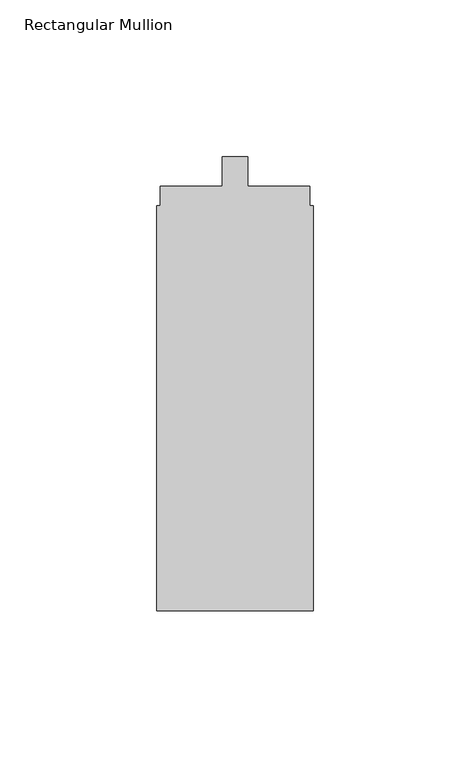
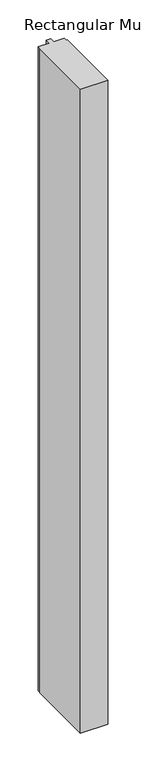
"""IFC4 building model written with IfcOpenShell, lengths in millimetres: member geometry, Rectangular Mullion."""

import ifcopenshell
import ifcopenshell.guid

model = None  # the IFC model being written
_history = None  # IfcOwnerHistory: only IFC2X3 demands one
_inside = {}  # id of a spatial element -> (the spatial element, [elements in it])
_under = {}  # id of a project, library or spatial element -> (it, [spatial elements below it])
_declared = {}  # id of a project -> (the project, [libraries it declares])
_typed = {}  # id of a type object -> (the type object, [elements of that type])
_made_of = {}  # id of a material, layer set ... -> (it, [elements and type objects made of it])


def new_model(schema):
    """Start an empty IFC model of exactly this schema.

    Asked for "IFC4X3", IfcOpenShell would pick the latest addendum, in which some entities
    have other attributes; the version numbers below select the first issue.
    IFC2X3 requires an IfcOwnerHistory on every rooted entity: one is made here for all.
    """
    global model, _history
    if schema == "IFC4X3":
        model = ifcopenshell.file(schema_version=(4, 3, 0, 0))
    else:
        model = ifcopenshell.file(schema=schema)
    _inside.clear()
    _under.clear()
    _declared.clear()
    _typed.clear()
    _made_of.clear()
    _history = None
    if model.schema == "IFC2X3":
        org = make("IfcOrganization", Name="unknown")
        user = make(
            "IfcPersonAndOrganization",
            ThePerson=make("IfcPerson", FamilyName="unknown"),
            TheOrganization=org,
        )
        app = make(
            "IfcApplication",
            ApplicationDeveloper=org,
            Version="unknown",
            ApplicationFullName="unknown",
            ApplicationIdentifier="unknown",
        )
        _history = make(
            "IfcOwnerHistory",
            OwningUser=user,
            OwningApplication=app,
            ChangeAction="ADDED",
            CreationDate=0,
        )
    return model


def make(cls, **values):
    """One entity of the class cls with the attributes given. An attribute that is None is left unset."""
    return model.create_entity(
        cls, **{name: value for name, value in values.items() if value is not None}
    )


def rooted(cls, **values):
    """An entity with a GlobalId (a new one), such as an element, a storey or a relation."""
    return make(cls, GlobalId=ifcopenshell.guid.new(), OwnerHistory=_history, **values)


def si_unit(unit_type, name, prefix=None):
    """IfcSIUnit, for example si_unit("LENGTHUNIT", "METRE", prefix="MILLI")."""
    return make("IfcSIUnit", UnitType=unit_type, Prefix=prefix, Name=name)


def assignment(units):
    """IfcUnitAssignment: the units of a project."""
    return None if units is None else make("IfcUnitAssignment", Units=units)


def point(xyz):
    """IfcCartesianPoint."""
    return None if xyz is None else make("IfcCartesianPoint", Coordinates=xyz)


def direction(xyz):
    """IfcDirection."""
    return None if xyz is None else make("IfcDirection", DirectionRatios=xyz)


def frame(location, z_axis=None, x_axis=None):
    """IfcAxis2Placement3D, a coordinate frame: its origin and axes. An axis left out is left unset."""
    return make(
        "IfcAxis2Placement3D",
        Location=point(location),
        Axis=direction(z_axis),
        RefDirection=direction(x_axis),
    )


def origin():
    """The frame at (0, 0, 0) with its axes left unset."""
    return frame((0.0, 0.0, 0.0))


def place(relative_to, where):
    """IfcLocalPlacement: puts the frame where relative to a parent placement (None: the world)."""
    return make(
        "IfcLocalPlacement", PlacementRelTo=relative_to, RelativePlacement=where
    )


def context(
    kind, dimensions, precision=None, world=None, true_north=None, identifier=None
):
    """IfcGeometricRepresentationContext, for example the 3D "Model" context."""
    return make(
        "IfcGeometricRepresentationContext",
        ContextIdentifier=identifier,
        ContextType=kind,
        CoordinateSpaceDimension=dimensions,
        Precision=precision,
        WorldCoordinateSystem=world,
        TrueNorth=true_north,
    )


def project(units=None, contexts=None):
    """IfcProject with its units and contexts."""
    return rooted(
        "IfcProject",
        Name="project",
        RepresentationContexts=contexts,
        UnitsInContext=assignment(units),
    )


def spatial(cls, under=None, at=None, **own):
    """A site, building, storey or space (cls), placed at a placement, below another one or the project."""
    s = rooted(cls, ObjectPlacement=at, **own)
    if under is not None:
        _under.setdefault(under.id(), (under, []))[1].append(s)
    return s


def polyline(points):
    """IfcPolyline through the points."""
    return make("IfcPolyline", Points=[point(p) for p in points])


def outline(outer, holes=None, kind="AREA"):
    """IfcArbitraryClosedProfileDef: a profile drawn as a closed curve; with holes, ...WithVoids."""
    if holes is None:
        return make("IfcArbitraryClosedProfileDef", ProfileType=kind, OuterCurve=outer)
    return make(
        "IfcArbitraryProfileDefWithVoids",
        ProfileType=kind,
        OuterCurve=outer,
        InnerCurves=holes,
    )


def extrude(swept, where, along, depth):
    """IfcExtrudedAreaSolid: the profile swept, set in the frame where, extruded along a direction by depth."""
    return make(
        "IfcExtrudedAreaSolid",
        SweptArea=swept,
        Position=where,
        ExtrudedDirection=direction(along),
        Depth=depth,
    )


def shape(context_of_items, identifier, shape_type, items):
    """IfcShapeRepresentation: the items that make up one representation, for example the "Body"."""
    return make(
        "IfcShapeRepresentation",
        ContextOfItems=context_of_items,
        RepresentationIdentifier=identifier,
        RepresentationType=shape_type,
        Items=items,
    )


def source(mapping_origin, context_of_items, identifier, shape_type, items):
    """IfcRepresentationMap: a shape defined once, which mapped items show again and again."""
    return make(
        "IfcRepresentationMap",
        MappingOrigin=mapping_origin,
        MappedRepresentation=shape(context_of_items, identifier, shape_type, items),
    )


def transform(
    local_origin,
    x_axis=None,
    y_axis=None,
    z_axis=None,
    scale=None,
    scale2=None,
    scale3=None,
    uniform=True,
):
    """IfcCartesianTransformationOperator3D, or its non-uniform kind. x_axis, y_axis, z_axis: its Axis1, 2, 3."""
    if uniform:
        return make(
            "IfcCartesianTransformationOperator3D",
            Axis1=direction(x_axis),
            Axis2=direction(y_axis),
            LocalOrigin=point(local_origin),
            Scale=scale,
            Axis3=direction(z_axis),
        )
    return make(
        "IfcCartesianTransformationOperator3DnonUniform",
        Axis1=direction(x_axis),
        Axis2=direction(y_axis),
        LocalOrigin=point(local_origin),
        Scale=scale,
        Axis3=direction(z_axis),
        Scale2=scale2,
        Scale3=scale3,
    )


def mapped(mapping_source, mapping_target):
    """IfcMappedItem: shows the shape of a source again, moved by a transform."""
    return make(
        "IfcMappedItem", MappingSource=mapping_source, MappingTarget=mapping_target
    )


def made_of(thing, what):
    """Note that an element or type object is made of a material, layer set ...; save() writes the relation."""
    if what is not None:
        _made_of.setdefault(what.id(), (what, []))[1].append(thing)
    return thing


def element(
    cls,
    number,
    at=None,
    inside=None,
    cuts=None,
    type_object=None,
    material=None,
    context=None,
    identifier="Body",
    shape_type=None,
    held_by="IfcProductDefinitionShape",
    body=None,
    shapes=None,
    **own,
):
    """One element of the class cls, such as IfcWall. Its Tag is "e" and its number.

    at: its placement. inside: the storey or other place that contains it. cuts: it is an
    opening in that element (IfcRelVoidsElement). A single representation is given by context,
    identifier, shape_type and body (its items); several are given by shapes. held_by: the class
    of the entity that holds the representations. save() writes the other relations.
    """
    e = rooted(cls, Tag="e%d" % number, ObjectPlacement=at, **own)
    if body is not None:
        shapes = [shape(context, identifier, shape_type, body)]
    if shapes is not None:
        e.Representation = make(held_by, Representations=shapes)
    if inside is not None:
        _inside.setdefault(inside.id(), (inside, []))[1].append(e)
    if cuts is not None:
        rooted(
            "IfcRelVoidsElement", RelatingBuildingElement=cuts, RelatedOpeningElement=e
        )
    if type_object is not None:
        _typed.setdefault(type_object.id(), (type_object, []))[1].append(e)
    return made_of(e, material)


def aggregate(whole, parts):
    """IfcRelAggregates: a whole, such as a stair, and the parts it consists of."""
    return rooted("IfcRelAggregates", RelatingObject=whole, RelatedObjects=parts)


def save(model, path):
    """Write the relations noted so far, then the file.

    IfcRelAggregates (storeys below a building ...), IfcRelContainedInSpatialStructure (elements
    in a storey), IfcRelDefinesByType, IfcRelAssociatesMaterial and IfcRelDeclares: one each for
    every whole, place, type object, material and project.
    """
    for whole, parts in _under.values():
        aggregate(whole, parts)
    for where, things in _inside.values():
        rooted(
            "IfcRelContainedInSpatialStructure",
            RelatedElements=things,
            RelatingStructure=where,
        )
    for kind, things in _typed.values():
        rooted("IfcRelDefinesByType", RelatedObjects=things, RelatingType=kind)
    for what, things in _made_of.values():
        rooted("IfcRelAssociatesMaterial", RelatedObjects=things, RelatingMaterial=what)
    for by, libraries in _declared.values():
        rooted("IfcRelDeclares", RelatingContext=by, RelatedDefinitions=libraries)
    model.write(path)


def rectangular_mullion_49e63770(model_context):
    return source(origin(), model_context, "Body", "SweptSolid", [
        extrude(outline(polyline([(0.0, -161.3), (-50.0, -161.3), (-50.0, -32.0), (-48.9, -32.0), (-48.9, -25.8), (-29.1, -25.8), (-29.1, -16.3), (-20.9, -16.3), (-20.9, -25.8), (-1.1782663, -25.8), (-1.1782663, -32.0), (0.0, -32.0), (0.0, -161.3)])), frame((0.0, 0.0, -1250.0), z_axis=(0.0, 0.0, 1.0), x_axis=(1.0, 0.0, 0.0)), (0.0, 0.0, 1.0), 1250.0),
    ])


if __name__ == "__main__":
    model = new_model("IFC4")
    model_context = context("Model", 3, world=origin())
    ifc_project = project(units=[si_unit("LENGTHUNIT", "METRE", prefix="MILLI")], contexts=[model_context])
    site = spatial("IfcSite", under=ifc_project)
    building = spatial("IfcBuilding", under=site)
    placement = place(None, origin())
    rectangular_mullion_shape = rectangular_mullion_49e63770(model_context)
    element("IfcMember", 1, ObjectType="Rectangular Mullion", at=placement, inside=building, context=model_context, shape_type="MappedRepresentation", body=[
        mapped(rectangular_mullion_shape, transform((0.0, 0.0, 0.0), x_axis=(1.0, 0.0, 0.0), y_axis=(0.0, 1.0, 0.0), z_axis=(0.0, 0.0, 1.0))),
    ])
    save(model, "model.ifc")
